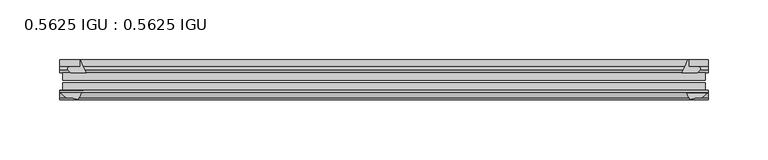
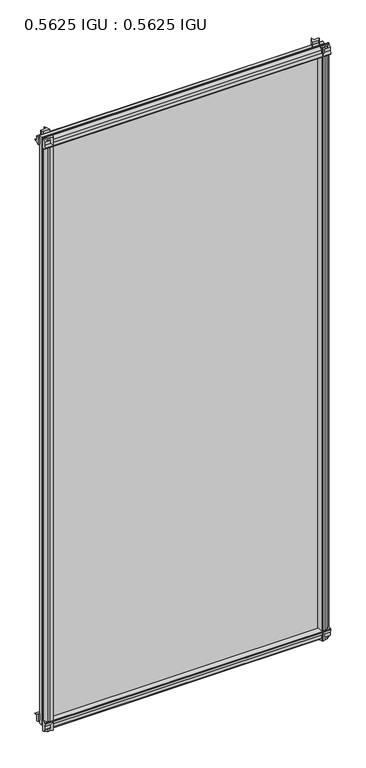
"""IFC4 building model written with IfcOpenShell, lengths in millimetres: plate geometry, 0.5625 IGU : 0.5625 IGU."""

from ifc_helpers import new_model, si_unit, point, frame, frame_2d, origin, place, context, project, spatial, polyline, circle_curve, trimmed, segment, composite_curve, outline, extrude, source, transform, mapped, element, save


def plate_0_5625_igu_0_5625_igu_ffb12592(model_context):
    return source(origin(), model_context, "Body", "SweptSolid", [
        extrude(outline(composite_curve([segment(trimmed(circle_curve(frame_2d((-37.8345654, 15.3636795)), 15.5602222), [point((-35.093275, 0.0468313))], [point((-27.955875, 3.3415337))], True, "CARTESIAN"), True, "CONTINUOUS"), segment(polyline([(-27.955875, 3.3415337), (-27.955875, -17.9974199)]), True, "CONTINUOUS"), segment(trimmed(circle_curve(frame_2d((-28.971875, -17.9974199)), 1.016), [point((-27.955875, -17.9974199))], [point((-29.7387172, -18.6639099))], False, "CARTESIAN"), True, "CONTINUOUS"), segment(polyline([(-29.7387172, -18.6639099), (-34.305875, -13.4090837), (-34.305875, -7.4052024), (-35.880675, -1.5279687), (-34.305875, -1.5279687), (-34.305875, -0.7405687)]), True, "CONTINUOUS"), segment(trimmed(circle_curve(frame_2d((-35.093275, -0.7405687)), 0.7874), [point((-34.305875, -0.7405687))], [point((-35.093275, 0.0468313))], True, "CARTESIAN"), True, "CONTINUOUS")], self_intersect=False)), frame((-272.2622763, 0.0, 0.0), z_axis=(1.0, 0.0, 0.0), x_axis=(0.0, 1.0, 0.0)), (0.0, 0.0, 1.0), 544.5245525),
        extrude(outline(composite_curve([segment(trimmed(circle_curve(frame_2d((11.4445684, 45.0767023)), 47.0962123), [point((-13.096875, 4.8800511))], [point((-2.198896, 0.0))], True, "CARTESIAN"), True, "CONTINUOUS"), segment(polyline([(-2.198896, 0.0), (-8.321675, 0.0), (-8.321675, -9.0936065)]), True, "CONTINUOUS"), segment(trimmed(circle_curve(frame_2d((-9.9050751, -9.085239)), 1.5834222), [point((-8.321675, -9.0936065))], [point((-11.0877177, -10.1381313))], False, "CARTESIAN"), True, "CONTINUOUS"), segment(polyline([(-11.0877177, -10.1381313), (-13.096875, -7.8711888), (-13.096875, 4.8800511)]), True, "CONTINUOUS")], self_intersect=False)), frame((-272.2622763, 0.0, 0.0), z_axis=(1.0, 0.0, 0.0), x_axis=(0.0, 1.0, 0.0)), (0.0, 0.0, 1.0), 544.5245525),
        extrude(outline(composite_curve([segment(polyline([(-34.305875, 1169.1090837), (-29.7387172, 1174.3639099)]), True, "CONTINUOUS"), segment(trimmed(circle_curve(frame_2d((-28.971875, 1173.6974199)), 1.016), [point((-29.7387172, 1174.3639099))], [point((-27.955875, 1173.6974199))], False, "CARTESIAN"), True, "CONTINUOUS"), segment(polyline([(-27.955875, 1173.6974199), (-27.955875, 1152.3584663)]), True, "CONTINUOUS"), segment(trimmed(circle_curve(frame_2d((-37.8345654, 1140.3363205)), 15.5602222), [point((-27.955875, 1152.3584663))], [point((-35.093275, 1155.6531687))], True, "CARTESIAN"), True, "CONTINUOUS"), segment(trimmed(circle_curve(frame_2d((-35.093275, 1156.4405687)), 0.7874), [point((-35.093275, 1155.6531687))], [point((-34.305875, 1156.4405687))], True, "CARTESIAN"), True, "CONTINUOUS"), segment(polyline([(-34.305875, 1156.4405687), (-34.305875, 1157.2279687), (-35.880675, 1157.2279687), (-34.305875, 1163.1052024), (-34.305875, 1169.1090837)]), True, "CONTINUOUS")], self_intersect=False)), frame((-272.2622763, 0.0, 0.0), z_axis=(1.0, 0.0, 0.0), x_axis=(0.0, 1.0, 0.0)), (0.0, 0.0, 1.0), 544.5245525),
        extrude(outline(composite_curve([segment(trimmed(circle_curve(frame_2d((-9.9050751, 1164.785239)), 1.5834222), [point((-11.0877177, 1165.8381313))], [point((-8.321675, 1164.7936065))], False, "CARTESIAN"), True, "CONTINUOUS"), segment(polyline([(-8.321675, 1164.7936065), (-8.321675, 1155.7), (-2.198896, 1155.7)]), True, "CONTINUOUS"), segment(trimmed(circle_curve(frame_2d((11.4445684, 1110.6232977)), 47.0962123), [point((-2.198896, 1155.7))], [point((-13.096875, 1150.8199489))], True, "CARTESIAN"), True, "CONTINUOUS"), segment(polyline([(-13.096875, 1150.8199489), (-13.096875, 1163.5711888), (-11.0877177, 1165.8381313)]), True, "CONTINUOUS")], self_intersect=False)), frame((-272.2622763, 0.0, 0.0), z_axis=(1.0, 0.0, 0.0), x_axis=(0.0, 1.0, 0.0)), (0.0, 0.0, 1.0), 544.5245525),
        extrude(outline(composite_curve([segment(polyline([(255.6331561, -8.321675), (263.9024378, -8.321675)]), True, "CONTINUOUS"), segment(trimmed(circle_curve(frame_2d((263.8940703, -9.9050751)), 1.5834222), [point((263.9024378, -8.321675))], [point((264.9469626, -11.0877177))], False, "CARTESIAN"), True, "CONTINUOUS"), segment(polyline([(264.9469626, -11.0877177), (262.68002, -13.096875), (249.9287802, -13.096875)]), True, "CONTINUOUS"), segment(trimmed(circle_curve(frame_2d((209.7321289, 11.4445684)), 47.0962123), [point((249.9287802, -13.096875))], [point((254.762, -2.352675))], True, "CARTESIAN"), True, "CONTINUOUS"), segment(polyline([(254.762, -2.352675), (255.6331561, -2.5510821), (255.6331561, -8.321675)]), True, "CONTINUOUS")], self_intersect=False)), frame((0.0, 0.0, -19.0134199), z_axis=(0.0, 0.0, 1.0), x_axis=(1.0, 0.0, 0.0)), (0.0, 0.0, 1.0), 1193.3773298),
        extrude(outline(composite_curve([segment(trimmed(circle_curve(frame_2d((271.2462763, -28.971875)), 1.016), [point((271.2462763, -27.955875))], [point((271.9127663, -29.7387172))], False, "CARTESIAN"), True, "CONTINUOUS"), segment(polyline([(271.9127663, -29.7387172), (266.6579401, -34.305875), (262.6458336, -34.305875), (256.7686, -35.880675), (256.7686, -34.305875), (255.6782443, -34.305875)]), True, "CONTINUOUS"), segment(trimmed(circle_curve(frame_2d((244.0422917, -36.1215237)), 11.7767556), [point((255.6782443, -34.305875))], [point((252.5284071, -27.955875))], True, "CARTESIAN"), True, "CONTINUOUS"), segment(polyline([(252.5284071, -27.955875), (271.2462763, -27.955875)]), True, "CONTINUOUS")], self_intersect=False)), frame((0.0, 0.0, -19.0134199), z_axis=(0.0, 0.0, 1.0), x_axis=(1.0, 0.0, 0.0)), (0.0, 0.0, 1.0), 1193.3773298),
        extrude(outline(composite_curve([segment(trimmed(circle_curve(frame_2d((-209.7321289, 11.4445684)), 47.0962123), [point((-254.7122882, -2.5138875))], [point((-249.9287802, -13.096875))], True, "CARTESIAN"), True, "CONTINUOUS"), segment(polyline([(-249.9287802, -13.096875), (-262.68002, -13.096875), (-264.9469626, -11.0877177)]), True, "CONTINUOUS"), segment(trimmed(circle_curve(frame_2d((-263.8940703, -9.9050751)), 1.5834222), [point((-264.9469626, -11.0877177))], [point((-263.9024378, -8.321675))], False, "CARTESIAN"), True, "CONTINUOUS"), segment(polyline([(-263.9024378, -8.321675), (-254.7122882, -8.321675), (-254.7122882, -2.5138875)]), True, "CONTINUOUS")], self_intersect=False)), frame((0.0, 0.0, -19.0134199), z_axis=(0.0, 0.0, 1.0), x_axis=(1.0, 0.0, 0.0)), (0.0, 0.0, 1.0), 1193.7268398),
        extrude(outline(composite_curve([segment(trimmed(circle_curve(frame_2d((-244.0422917, -36.1215237)), 11.7767556), [point((-252.5284071, -27.955875))], [point((-255.6782443, -34.305875))], True, "CARTESIAN"), True, "CONTINUOUS"), segment(polyline([(-255.6782443, -34.305875), (-256.7686, -34.305875), (-256.7686, -35.880675), (-262.6458336, -34.305875), (-266.6579401, -34.305875), (-271.9127663, -29.7387172)]), True, "CONTINUOUS"), segment(trimmed(circle_curve(frame_2d((-271.2462763, -28.971875)), 1.016), [point((-271.9127663, -29.7387172))], [point((-271.2462763, -27.955875))], False, "CARTESIAN"), True, "CONTINUOUS"), segment(polyline([(-271.2462763, -27.955875), (-252.5284071, -27.955875)]), True, "CONTINUOUS")], self_intersect=False)), frame((0.0, 0.0, -19.0134199), z_axis=(0.0, 0.0, 1.0), x_axis=(1.0, 0.0, 0.0)), (0.0, 0.0, 1.0), 1193.7268398),
        extrude(outline(polyline([(-269.4813, -13.096875), (269.4813, -13.096875), (269.4813, -19.396075), (-269.4813, -19.396075), (-269.4813, -13.096875)])), frame((0.0, 0.0, -13.5929687), z_axis=(0.0, 0.0, 1.0), x_axis=(1.0, 0.0, 0.0)), (0.0, 0.0, 1.0), 1182.8859375),
        extrude(outline(polyline([(269.4813, -21.656675), (269.4813, -27.955875), (-269.4813, -27.955875), (-269.4813, -21.656675), (269.4813, -21.656675)])), frame((0.0, 0.0, -13.5929687), z_axis=(0.0, 0.0, 1.0), x_axis=(1.0, 0.0, 0.0)), (0.0, 0.0, 1.0), 1182.8859375),
    ])


if __name__ == "__main__":
    model = new_model("IFC4")
    model_context = context("Model", 3, world=origin())
    ifc_project = project(units=[si_unit("LENGTHUNIT", "METRE", prefix="MILLI")], contexts=[model_context])
    site = spatial("IfcSite", under=ifc_project)
    building = spatial("IfcBuilding", under=site)
    placement = place(None, origin())
    plate_0_5625_igu_0_5625_igu_shape = plate_0_5625_igu_0_5625_igu_ffb12592(model_context)
    element("IfcPlate", 1, ObjectType="0.5625 IGU : 0.5625 IGU", at=placement, inside=building, context=model_context, shape_type="MappedRepresentation", body=[
        mapped(plate_0_5625_igu_0_5625_igu_shape, transform((0.0, 0.0, 0.0), x_axis=(1.0, 0.0, 0.0), y_axis=(0.0, 1.0, 0.0), z_axis=(0.0, 0.0, 1.0))),
    ])
    save(model, "model.ifc")
